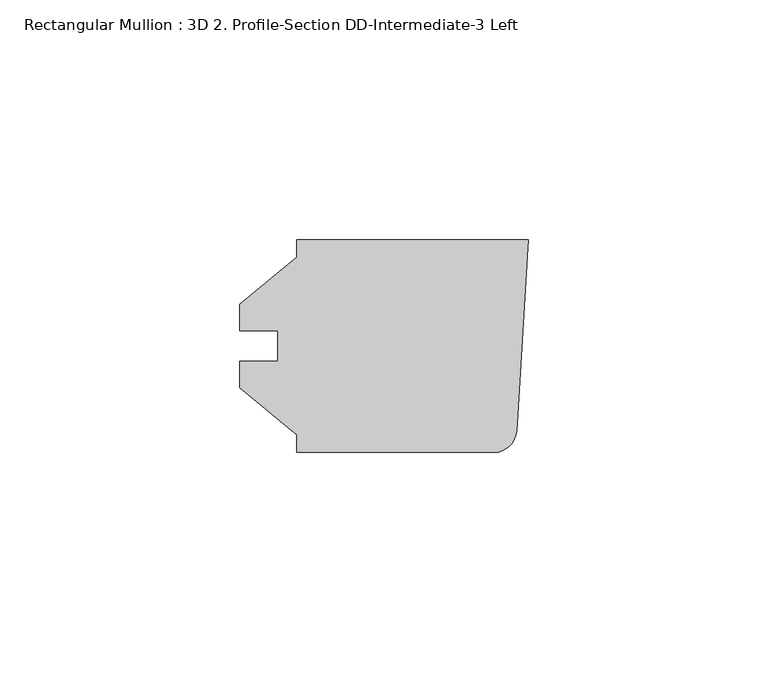
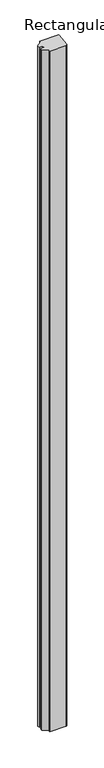
"""IFC4 building model written with IfcOpenShell, lengths in millimetres: member geometry, Rectangular Mullion : 3D 2. Profile-Section DD-Intermediate-3 Left."""

from ifc_helpers import new_model, si_unit, point, frame, frame_2d, origin, place, context, project, spatial, polyline, circle_curve, trimmed, segment, composite_curve, outline, extrude, source, transform, mapped, element, save


def rectangular_mullion_3d_2_profile_section_dd_intermediate_3_eff12ed7(model_context):
    return source(origin(), model_context, "Body", "SweptSolid", [
        extrude(outline(composite_curve([segment(polyline([(-48.4124, 22.225), (0.0, 22.225), (-2.4997803, -17.7714844)]), True, "CONTINUOUS"), segment(trimmed(circle_curve(frame_2d((-7.2403304, -17.4752)), 4.7498), [point((-2.4997803, -17.7714844))], [point((-7.2403304, -22.225))], False, "CARTESIAN"), True, "CONTINUOUS"), segment(polyline([(-7.2403304, -22.225), (-48.4124, -22.225), (-48.4124, -18.518836), (-60.31865, -8.7503), (-60.31865, -3.175), (-52.3748, -3.175), (-52.3748, 3.175), (-60.31865, 3.175), (-60.31865, 8.7503), (-48.4124, 18.518836), (-48.4124, 22.225)]), True, "CONTINUOUS")], self_intersect=False)), frame((0.0, 0.0, -1828.00625), z_axis=(0.0, 0.0, 1.0), x_axis=(1.0, 0.0, 0.0)), (0.0, 0.0, 1.0), 1828.00625),
    ])


if __name__ == "__main__":
    model = new_model("IFC4")
    model_context = context("Model", 3, world=origin())
    ifc_project = project(units=[si_unit("LENGTHUNIT", "METRE", prefix="MILLI")], contexts=[model_context])
    site = spatial("IfcSite", under=ifc_project)
    building = spatial("IfcBuilding", under=site)
    placement = place(None, origin())
    rectangular_mullion_3d_2_profile_section_dd_intermediate_3_shape = rectangular_mullion_3d_2_profile_section_dd_intermediate_3_eff12ed7(model_context)
    element("IfcMember", 1, ObjectType="Rectangular Mullion : 3D 2. Profile-Section DD-Intermediate-3 Left", at=placement, inside=building, context=model_context, shape_type="MappedRepresentation", body=[
        mapped(rectangular_mullion_3d_2_profile_section_dd_intermediate_3_shape, transform((0.0, 0.0, 0.0), x_axis=(1.0, 0.0, 0.0), y_axis=(0.0, 1.0, 0.0), z_axis=(0.0, 0.0, 1.0))),
    ])
    save(model, "model.ifc")
